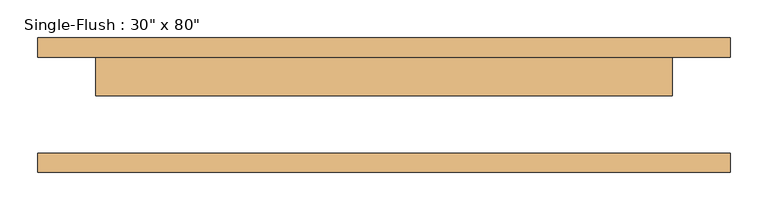
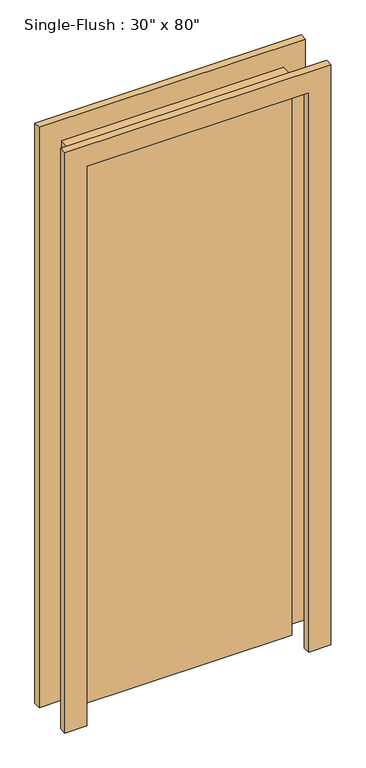
"""IFC4 building model written with IfcOpenShell, lengths in millimetres: door geometry."""

from ifc_helpers import new_model, si_unit, frame, origin, origin_with_axes, place, context, project, spatial, polyline, outline, extrude, source, transform, mapped, element, save


def door_1fe7f57d(model_context):
    return source(origin(), model_context, "Body", "SweptSolid", [
        extrude(outline(polyline([(2108.2, -457.2), (0.0, -457.2), (0.0, -381.0), (2032.0, -381.0), (2032.0, 381.0), (0.0, 381.0), (0.0, 457.2), (2108.2, 457.2), (2108.2, -457.2)])), frame((0.0, 63.5, 0.0), z_axis=(0.0, 1.0, 0.0), x_axis=(0.0, 0.0, 1.0)), (0.0, 0.0, 1.0), 25.4),
        extrude(outline(polyline([(2108.2, 457.2), (2108.2, -457.2), (0.0, -457.2), (0.0, -381.0), (2032.0, -381.0), (2032.0, 381.0), (0.0, 381.0), (0.0, 457.2), (2108.2, 457.2)])), frame((0.0, -88.9, 0.0), z_axis=(0.0, 1.0, 0.0), x_axis=(0.0, 0.0, 1.0)), (0.0, 0.0, 1.0), 25.4),
        extrude(outline(polyline([(381.0, 12.7), (-381.0, 12.7), (-381.0, 63.5), (381.0, 63.5), (381.0, 12.7)])), origin_with_axes(), (0.0, 0.0, 1.0), 2032.0),
    ])


if __name__ == "__main__":
    model = new_model("IFC4")
    model_context = context("Model", 3, world=origin())
    ifc_project = project(units=[si_unit("LENGTHUNIT", "METRE", prefix="MILLI")], contexts=[model_context])
    site = spatial("IfcSite", under=ifc_project)
    building = spatial("IfcBuilding", under=site)
    placement = place(None, origin())
    door_shape = door_1fe7f57d(model_context)
    element("IfcDoor", 1, ObjectType="Single-Flush : 30\" x 80\"", at=placement, inside=building, context=model_context, shape_type="MappedRepresentation", body=[
        mapped(door_shape, transform((0.0, 0.0, 0.0), x_axis=(1.0, 0.0, 0.0), y_axis=(0.0, 1.0, 0.0), z_axis=(0.0, 0.0, 1.0))),
    ])
    save(model, "model.ifc")
